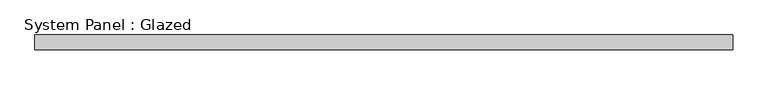
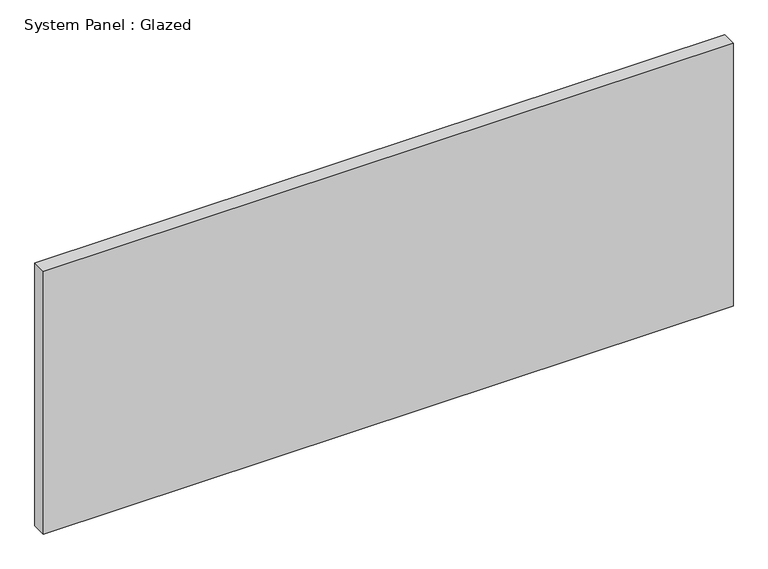
"""IFC4 building model written with IfcOpenShell, lengths in millimetres: plate geometry, System Panel : Glazed."""

from ifc_helpers import new_model, si_unit, origin, origin_with_axes, place, context, project, spatial, polyline, outline, extrude, source, transform, mapped, element, save


def system_panel_glazed_bfcd409d(model_context):
    return source(origin(), model_context, "Body", "SweptSolid", [
        extrude(outline(polyline([(589.5173232, 24.5), (-589.5173232, 24.5), (-589.5173232, 49.5), (589.5173232, 49.5), (589.5173232, 24.5)])), origin_with_axes(), (0.0, 0.0, 1.0), 475.0),
    ])


if __name__ == "__main__":
    model = new_model("IFC4")
    model_context = context("Model", 3, world=origin())
    ifc_project = project(units=[si_unit("LENGTHUNIT", "METRE", prefix="MILLI")], contexts=[model_context])
    site = spatial("IfcSite", under=ifc_project)
    building = spatial("IfcBuilding", under=site)
    placement = place(None, origin())
    system_panel_glazed_shape = system_panel_glazed_bfcd409d(model_context)
    element("IfcPlate", 1, ObjectType="System Panel : Glazed", at=placement, inside=building, context=model_context, shape_type="MappedRepresentation", body=[
        mapped(system_panel_glazed_shape, transform((0.0, 0.0, 0.0), x_axis=(1.0, 0.0, 0.0), y_axis=(0.0, 1.0, 0.0), z_axis=(0.0, 0.0, 1.0))),
    ])
    save(model, "model.ifc")
